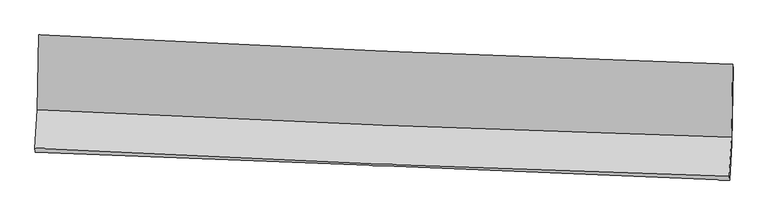
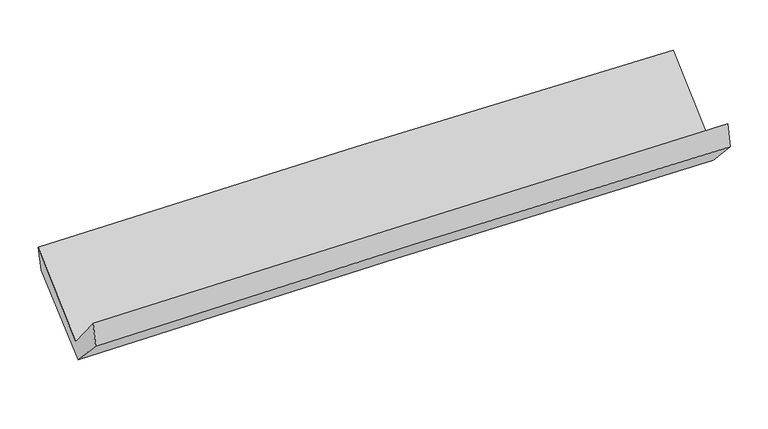
"""IFC4 building model written with IfcOpenShell, lengths in millimetres: proxy geometry."""

from ifc_helpers import new_model, si_unit, frame, origin, place, context, project, spatial, source, transform, mapped, element, save
from ifc_brep_helpers import plane_surface, spline_curve, spline_surface, advanced_brep


def generic_models_b8d17338(model_context):
    return source(origin(), model_context, "Body", "AdvancedBrep", [
        advanced_brep(
        [(-2369.8416665, -1108.0882735, 2198.5334892), (-2379.5305604, -1620.8056454, 1747.9411201), (2368.062032, -1807.1447361, 1819.7901473), (2375.843916, -1308.57165, 2255.3115104), (-2395.6650677, -1882.6355618, 2063.2926069), (2351.7505747, -2075.5907721, 2132.3711435), (-2393.1129933, -1908.6515025, 1892.0197373), (2354.7202453, -2100.2754855, 1959.3888889), (-2378.1927984, -1654.4719688, 1622.1048941), (2369.2852047, -1851.2648488, 1694.9638004), (-2367.6830133, -1142.3248379, 2031.6444785), (2378.1562414, -1336.9706984, 2106.1360511)],
        [
            (0, 1),
            (1, 2, spline_curve(3, [(-2379.5305604, -1620.8056454, 1747.9411201), (-1588.80714151, -1660.257352888, 1772.133997316), (-797.830284551, -1695.510961322, 1790.217860199), (784.700534514, -1757.624736787, 1814.168620697), (1576.254541886, -1784.484158517, 1820.034433474), (2368.062032, -1807.1447361, 1819.7901473)], [4, 2, 4], [0.0, 7.793677143486214, 15.588046059286091])),
            (2, 3),
            (3, 0, spline_curve(3, [(2375.843916, -1308.57165, 2255.3115104), (1584.347390548, -1282.229272354, 2260.209640439), (793.107790086, -1252.350237171, 2257.926674898), (-788.787358333, -1185.521817166, 2238.999393464), (-1579.442952204, -1148.573060171, 2222.356351722), (-2369.8416665, -1108.0882735, 2198.5334892)], [4, 2, 4], [0.0, 7.794368915799877, 15.588046059286091])),
            (1, 4),
            (4, 5, spline_curve(3, [(-2395.6650677, -1882.6355618, 2063.2926069), (-1604.97624098, -1924.460697115, 2084.984993817), (-814.0314256, -1961.452366793, 2101.587702159), (768.440409545, -2025.771628192, 2124.614784745), (1559.967475098, -2053.098362099, 2131.038255132), (2351.7505747, -2075.5907721, 2132.3711435)], [4, 2, 4], [0.0, 7.794943408991499, 15.590578702691285])),
            (5, 2),
            (4, 6),
            (6, 7, spline_curve(3, [(-2393.1129933, -1908.6515025, 1892.0197373), (-1601.903151824, -1939.254647882, 1910.798404354), (-810.663021032, -1970.524147492, 1925.801752034), (771.948053156, -2034.398690357, 1948.258806174), (1563.319001754, -2067.003851489, 1955.711842191), (2354.7202453, -2100.2754855, 1959.3888889)], [4, 2, 4], [0.0, 7.7950891661056, 15.590870229856993])),
            (7, 5),
            (6, 8),
            (8, 9, spline_curve(3, [(-2378.1927984, -1654.4719688, 1622.1048941), (-1586.941354328, -1684.213104922, 1639.96835558), (-795.71002144, -1715.482284241, 1654.971519427), (786.782649709, -1781.079639664, 1679.258329383), (1578.043984572, -1815.408087199, 1688.541467723), (2369.2852047, -1851.2648488, 1694.9638004)], [4, 2, 4], [0.0, 7.795254255822284, 15.59120042394384])),
            (9, 7),
            (8, 10),
            (10, 11, spline_curve(3, [(-2367.6830133, -1142.3248379, 2031.6444785), (-1576.716698507, -1172.403426276, 2049.224186835), (-785.764487092, -1203.662436898, 2064.221511184), (796.18193372, -1268.544180649, 2089.052493975), (1587.176140483, -1302.167123803, 2098.885693648), (2378.1562414, -1336.9706984, 2106.1360511)], [4, 2, 4], [0.0, 7.793788741809547, 15.588269265838303])),
            (11, 9),
            (10, 0),
            (3, 11),
        ],
        [
            spline_surface(3, 3, [[(-2369.8416665, -1108.0882735, 2198.5334892), (-1579.442952185, -1148.573060267, 2222.356351718), (-788.787358408, -1185.521817211, 2238.999393336), (793.107790161, -1252.350237126, 2257.926675026), (1584.347390539, -1282.22927235, 2260.209640486), (2375.843916, -1308.57165, 2255.3115104)], [(-2373.07129779, -1278.994064128, 2048.336032833), (-1582.564348574, -1319.134491127, 2072.282233603), (-791.80166715, -1355.518198591, 2089.405548986), (790.305371608, -1420.775070376, 2110.007323539), (1581.649774325, -1449.647567771, 2113.484571465), (2373.249954667, -1474.762678701, 2110.137722724)], [(-2376.30092911, -1449.899854772, 1898.138576467), (-1585.685744993, -1489.695922004, 1922.208115489), (-794.815975845, -1525.514579912, 1939.811704658), (787.502953103, -1589.199903567, 1962.087972075), (1578.952158109, -1617.065863191, 1966.759502372), (2370.655993333, -1640.953707399, 1964.963934976)], [(-2379.5305604, -1620.8056454, 1747.9411201), (-1588.807141382, -1660.257352865, 1772.133997374), (-797.830284588, -1695.510961292, 1790.217860308), (784.70053455, -1757.624736817, 1814.168620588), (1576.254541895, -1784.484158612, 1820.034433352), (2368.062032, -1807.1447361, 1819.7901473)]], [4, 4], [4, 2, 4], [0.0, 2.217717965257206], [0.0, 7.793677143486214, 15.588046059286091]),
            spline_surface(3, 3, [[(-2379.5305604, -1620.8056454, 1747.9411201), (-1588.807141382, -1660.257352865, 1772.133997374), (-797.830284588, -1695.510961292, 1790.217860308), (784.70053455, -1757.624736817, 1814.168620588), (1576.254541895, -1784.484158612, 1820.034433352), (2368.062032, -1807.1447361, 1819.7901473)], [(-2384.908729521, -1708.08228422, 1853.058282392), (-1594.196841268, -1748.325134336, 1876.417662841), (-803.230664952, -1784.158096432, 1894.007807623), (779.280492931, -1847.007033955, 1917.650675284), (1570.82551965, -1874.022226482, 1923.7023739), (2362.624879567, -1896.626748121, 1923.983812695)], [(-2390.286898579, -1795.35892298, 1958.175444608), (-1599.586541091, -1836.392915746, 1980.701328232), (-808.63104535, -1872.805231592, 1997.797754926), (773.860451278, -1936.389331115, 2021.132729968), (1565.396497404, -1963.560294288, 2027.370314463), (2357.187727133, -1986.108760079, 2028.177478105)], [(-2395.6650677, -1882.6355618, 2063.2926069), (-1604.976240977, -1924.460697216, 2084.984993699), (-814.031425714, -1961.452366732, 2101.587702241), (768.440409659, -2025.771628253, 2124.614784663), (1559.96747516, -2053.098362158, 2131.038255011), (2351.7505747, -2075.5907721, 2132.3711435)]], [4, 4], [4, 2, 4], [0.0, 1.3457036793337638], [0.0, 7.794943408991499, 15.590578702691285]),
            spline_surface(3, 3, [[(-2395.6650677, -1882.6355618, 2063.2926069), (-1604.976240977, -1924.460697216, 2084.984993699), (-814.031425714, -1961.452366732, 2101.587702241), (768.440409659, -2025.771628253, 2124.614784663), (1559.96747516, -2053.098362158, 2131.038255011), (2351.7505747, -2075.5907721, 2132.3711435)], [(-2394.814376229, -1891.307542014, 2006.20165034), (-1603.951877929, -1929.392014094, 2026.922797196), (-812.908624159, -1964.476293686, 2042.992385515), (769.609624146, -2028.647315608, 2065.829458498), (1561.084650716, -2057.733525296, 2072.596117409), (2352.7404649, -2083.819009894, 2074.710391961)], [(-2393.963684771, -1899.979522286, 1949.11069386), (-1602.927514895, -1934.323331028, 1968.860600772), (-811.785822577, -1967.500220609, 1984.397068778), (770.77883866, -2031.523002931, 2007.044132322), (1562.201826273, -2062.368688452, 2014.153979825), (2353.7303551, -2092.047247706, 2017.049640439)], [(-2393.1129933, -1908.6515025, 1892.0197373), (-1601.903151847, -1939.254647906, 1910.798404269), (-810.663021023, -1970.524147564, 1925.801752051), (771.948053147, -2034.398690285, 1948.258806156), (1563.319001829, -2067.00385159, 1955.711842223), (2354.7202453, -2100.2754855, 1959.3888889)]], [4, 4], [4, 2, 4], [0.0, 0.5784998600153466], [0.0, 7.7950891661056, 15.590870229856993]),
            spline_surface(3, 3, [[(-2393.1129933, -1908.6515025, 1892.0197373), (-1601.903151847, -1939.254647906, 1910.798404269), (-810.663021023, -1970.524147564, 1925.801752051), (771.948053147, -2034.398690285, 1948.258806156), (1563.319001829, -2067.00385159, 1955.711842223), (2354.7202453, -2100.2754855, 1959.3888889)], [(-2388.139594998, -1823.924991285, 1802.048122916), (-1596.91588599, -1854.240800305, 1820.521721413), (-805.67868786, -1885.510193121, 1835.525007841), (776.892918676, -1949.95900673, 1858.59198054), (1568.227329435, -1983.138596755, 1866.655050703), (2359.575231752, -2017.271939921, 1871.247192741)], [(-2383.166196702, -1739.198480015, 1712.076508484), (-1591.92862014, -1769.22695265, 1730.245038509), (-800.694354662, -1800.496238704, 1745.248263672), (781.837784239, -1865.5193232, 1768.925154964), (1573.135657084, -1899.273341956, 1777.59825916), (2364.430218248, -1934.268394379, 1783.105496559)], [(-2378.1927984, -1654.4719688, 1622.1048941), (-1586.941354284, -1684.213105049, 1639.968355653), (-795.710021499, -1715.482284261, 1654.971519461), (786.782649768, -1781.079639644, 1679.258329348), (1578.04398469, -1815.408087121, 1688.541467639), (2369.2852047, -1851.2648488, 1694.9638004)]], [4, 4], [4, 2, 4], [0.0, 1.2173805919395149], [0.0, 7.795254255822284, 15.59120042394384]),
            spline_surface(3, 3, [[(-2378.1927984, -1654.4719688, 1622.1048941), (-1586.941354284, -1684.213105049, 1639.968355653), (-795.710021499, -1715.482284261, 1654.971519461), (786.782649768, -1781.079639644, 1679.258329348), (1578.04398469, -1815.408087121, 1688.541467639), (2369.2852047, -1851.2648488, 1694.9638004)], [(-2374.689536708, -1483.756258494, 1758.618088909), (-1583.533135717, -1513.609878826, 1776.386966063), (-792.394843353, -1544.875668438, 1791.38818339), (789.915744402, -1610.234486675, 1815.856384192), (1581.088036588, -1644.327766033, 1825.322876328), (2372.242216922, -1679.83346534, 1832.021217295)], [(-2371.186274992, -1313.040548206, 1895.131283691), (-1580.124917127, -1343.006652621, 1912.805576448), (-789.079665197, -1374.269052625, 1927.804847334), (793.048839045, -1439.389333714, 1952.454439053), (1584.13208852, -1473.247444925, 1962.104285032), (2375.199229178, -1508.40208186, 1969.078634205)], [(-2367.6830133, -1142.3248379, 2031.6444785), (-1576.71669856, -1172.403426398, 2049.224186858), (-785.764487051, -1203.662436802, 2064.221511262), (796.181933679, -1268.544180745, 2089.052493897), (1587.176140417, -1302.167123837, 2098.885693721), (2378.1562414, -1336.9706984, 2106.1360511)]], [4, 4], [4, 2, 4], [0.0, 2.1517104956410034], [0.0, 7.793788741809547, 15.588269265838303]),
            spline_surface(3, 3, [[(-2367.6830133, -1142.3248379, 2031.6444785), (-1576.71669856, -1172.403426398, 2049.224186858), (-785.764487051, -1203.662436802, 2064.221511262), (796.181933679, -1268.544180745, 2089.052493897), (1587.176140417, -1302.167123837, 2098.885693721), (2378.1562414, -1336.9706984, 2106.1360511)], [(-2368.402564354, -1130.912649759, 2087.27414871), (-1577.625449756, -1164.459971013, 2106.934908454), (-786.772110809, -1197.615563594, 2122.480805306), (795.157219201, -1263.146199527, 2145.343887625), (1586.233223816, -1295.521173331, 2152.660342627), (2377.385466291, -1327.504348923, 2155.861204184)], [(-2369.122115446, -1119.500461641, 2142.90381899), (-1578.534200989, -1156.516515651, 2164.645630122), (-787.779734651, -1191.568690419, 2180.740099293), (794.132504638, -1257.748218343, 2201.635281297), (1585.29030714, -1288.875222855, 2206.43499158), (2376.614691109, -1318.037999477, 2205.586357316)], [(-2369.8416665, -1108.0882735, 2198.5334892), (-1579.442952185, -1148.573060267, 2222.356351718), (-788.787358408, -1185.521817211, 2238.999393336), (793.107790161, -1252.350237126, 2257.926675026), (1584.347390539, -1282.22927235, 2260.209640486), (2375.843916, -1308.57165, 2255.3115104)]], [4, 4], [4, 2, 4], [0.0, 0.5666277510859313], [0.0, 7.792340448860984, 15.585372551389668]),
            plane_surface(frame((2366.3030357, -1746.6363652, 1994.6602569), z_axis=(0.9991444326165848, -0.03493309885486559, 0.02213778163410083), x_axis=(0.013471309451255463, 0.7809927869577362, 0.6243947393609723))),
            plane_surface(frame((-2380.6710166, -1552.8296316, 1925.922721), z_axis=(-0.9991093062225279, 0.036888081924684665, -0.020490574210031826), x_axis=(0.012669770433778356, -0.20094446813291053, -0.9795206979150247))),
        ],
        [
            (0, [[1, 2, 3, 4]]),
            (1, [[5, 6, 7, -2]]),
            (2, [[8, 9, 10, -6]]),
            (3, [[11, 12, 13, -9]]),
            (4, [[14, 15, 16, -12]]),
            (5, [[17, -4, 18, -15]]),
            (6, [[-16, -18, -3, -7, -10, -13]]),
            (7, [[-17, -14, -11, -8, -5, -1]]),
        ],
    ),
    ])


if __name__ == "__main__":
    model = new_model("IFC4")
    model_context = context("Model", 3, world=origin())
    ifc_project = project(units=[si_unit("LENGTHUNIT", "METRE", prefix="MILLI")], contexts=[model_context])
    site = spatial("IfcSite", under=ifc_project)
    building = spatial("IfcBuilding", under=site)
    placement = place(None, origin())
    generic_models_shape = generic_models_b8d17338(model_context)
    element("IfcBuildingElementProxy", 1, Name="Generic Models", at=placement, inside=building, context=model_context, shape_type="MappedRepresentation", body=[
        mapped(generic_models_shape, transform((0.0, 0.0, 0.0), x_axis=(1.0, 0.0, 0.0), y_axis=(0.0, 1.0, 0.0), z_axis=(0.0, 0.0, 1.0))),
    ])
    save(model, "model.ifc")
